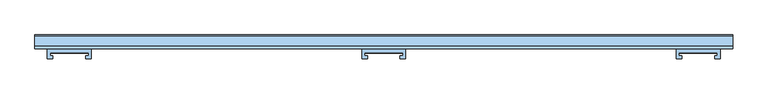
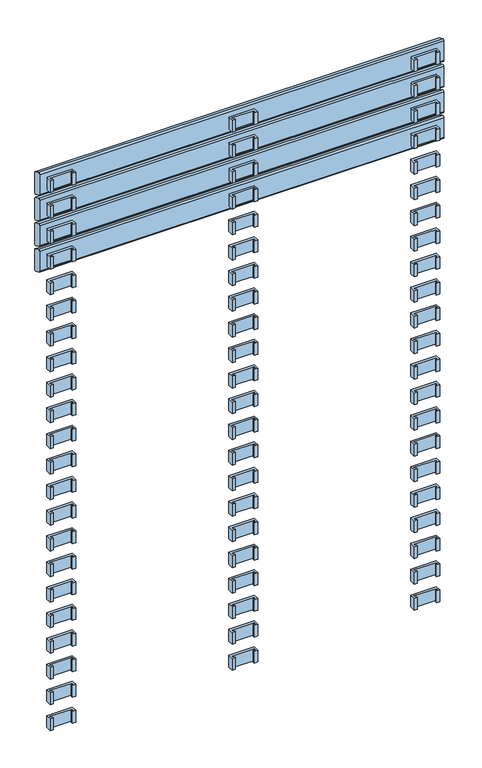
"""IFC4 building model written with IfcOpenShell, lengths in millimetres: window geometry."""

from ifc_helpers import new_model, si_unit, frame, origin, place, context, project, spatial, polyline, circle_curve, outline, extrude, source, transform, mapped, element, save
from ifc_brep_helpers import plane_surface, cylinder_surface, advanced_brep


def window_6ce717ae(model_context):
    return source(origin(), model_context, "Body", "SolidModel", [
        extrude(outline(polyline([(-27.5936804, 24.2), (-27.5936804, 20.0), (-23.5936804, 20.0), (-23.5936804, 16.2), (-31.5, 16.2), (-31.5, 30.1), (31.5, 30.1), (31.5, 16.2), (23.5936804, 16.2), (23.5936804, 20.0), (27.5936804, 20.0), (27.5936804, 24.2), (-27.5936804, 24.2)])), frame((0.0, 0.0, 1526.0), z_axis=(0.0, 0.0, 1.0), x_axis=(1.0, 0.0, 0.0)), (0.0, 0.0, 1.0), 31.0),
        extrude(outline(polyline([(-422.9063196, 24.1), (-478.0936804, 24.1), (-478.0936804, 19.9), (-474.0936804, 19.9), (-474.0936804, 16.1), (-482.0, 16.1), (-482.0, 30.0), (-419.0, 30.0), (-419.0, 16.1), (-426.9063196, 16.1), (-426.9063196, 19.9), (-422.9063196, 19.9), (-422.9063196, 24.1)])), frame((0.0, 0.0, 1526.0), z_axis=(0.0, 0.0, 1.0), x_axis=(1.0, 0.0, 0.0)), (0.0, 0.0, 1.0), 31.0),
        extrude(outline(polyline([(422.9063196, 24.1), (422.9063196, 19.9), (426.9063196, 19.9), (426.9063196, 16.1), (419.0, 16.1), (419.0, 30.0), (482.0, 30.0), (482.0, 16.1), (474.0936804, 16.1), (474.0936804, 19.9), (478.0936804, 19.9), (478.0936804, 24.1), (422.9063196, 24.1)])), frame((0.0, 0.0, 1526.0), z_axis=(0.0, 0.0, 1.0), x_axis=(1.0, 0.0, 0.0)), (0.0, 0.0, 1.0), 31.0),
        extrude(outline(polyline([(-27.5936804, 24.2), (-27.5936804, 20.0), (-23.5936804, 20.0), (-23.5936804, 16.2), (-31.5, 16.2), (-31.5, 30.1), (31.5, 30.1), (31.5, 16.2), (23.5936804, 16.2), (23.5936804, 20.0), (27.5936804, 20.0), (27.5936804, 24.2), (-27.5936804, 24.2)])), frame((0.0, 0.0, 1459.0), z_axis=(0.0, 0.0, 1.0), x_axis=(1.0, 0.0, 0.0)), (0.0, 0.0, 1.0), 31.0),
        extrude(outline(polyline([(-422.9063196, 24.1), (-478.0936804, 24.1), (-478.0936804, 19.9), (-474.0936804, 19.9), (-474.0936804, 16.1), (-482.0, 16.1), (-482.0, 30.0), (-419.0, 30.0), (-419.0, 16.1), (-426.9063196, 16.1), (-426.9063196, 19.9), (-422.9063196, 19.9), (-422.9063196, 24.1)])), frame((0.0, 0.0, 1459.0), z_axis=(0.0, 0.0, 1.0), x_axis=(1.0, 0.0, 0.0)), (0.0, 0.0, 1.0), 31.0),
        extrude(outline(polyline([(422.9063196, 24.1), (422.9063196, 19.9), (426.9063196, 19.9), (426.9063196, 16.1), (419.0, 16.1), (419.0, 30.0), (482.0, 30.0), (482.0, 16.1), (474.0936804, 16.1), (474.0936804, 19.9), (478.0936804, 19.9), (478.0936804, 24.1), (422.9063196, 24.1)])), frame((0.0, 0.0, 1459.0), z_axis=(0.0, 0.0, 1.0), x_axis=(1.0, 0.0, 0.0)), (0.0, 0.0, 1.0), 31.0),
        extrude(outline(polyline([(-27.5936804, 24.2), (-27.5936804, 20.0), (-23.5936804, 20.0), (-23.5936804, 16.2), (-31.5, 16.2), (-31.5, 30.1), (31.5, 30.1), (31.5, 16.2), (23.5936804, 16.2), (23.5936804, 20.0), (27.5936804, 20.0), (27.5936804, 24.2), (-27.5936804, 24.2)])), frame((0.0, 0.0, 1392.0), z_axis=(0.0, 0.0, 1.0), x_axis=(1.0, 0.0, 0.0)), (0.0, 0.0, 1.0), 31.0),
        extrude(outline(polyline([(-422.9063196, 24.1), (-478.0936804, 24.1), (-478.0936804, 19.9), (-474.0936804, 19.9), (-474.0936804, 16.1), (-482.0, 16.1), (-482.0, 30.0), (-419.0, 30.0), (-419.0, 16.1), (-426.9063196, 16.1), (-426.9063196, 19.9), (-422.9063196, 19.9), (-422.9063196, 24.1)])), frame((0.0, 0.0, 1392.0), z_axis=(0.0, 0.0, 1.0), x_axis=(1.0, 0.0, 0.0)), (0.0, 0.0, 1.0), 31.0),
        extrude(outline(polyline([(422.9063196, 24.1), (422.9063196, 19.9), (426.9063196, 19.9), (426.9063196, 16.1), (419.0, 16.1), (419.0, 30.0), (482.0, 30.0), (482.0, 16.1), (474.0936804, 16.1), (474.0936804, 19.9), (478.0936804, 19.9), (478.0936804, 24.1), (422.9063196, 24.1)])), frame((0.0, 0.0, 1392.0), z_axis=(0.0, 0.0, 1.0), x_axis=(1.0, 0.0, 0.0)), (0.0, 0.0, 1.0), 31.0),
        extrude(outline(polyline([(-27.5936804, 24.2), (-27.5936804, 20.0), (-23.5936804, 20.0), (-23.5936804, 16.2), (-31.5, 16.2), (-31.5, 30.1), (31.5, 30.1), (31.5, 16.2), (23.5936804, 16.2), (23.5936804, 20.0), (27.5936804, 20.0), (27.5936804, 24.2), (-27.5936804, 24.2)])), frame((0.0, 0.0, 1325.0), z_axis=(0.0, 0.0, 1.0), x_axis=(1.0, 0.0, 0.0)), (0.0, 0.0, 1.0), 31.0),
        extrude(outline(polyline([(-422.9063196, 24.1), (-478.0936804, 24.1), (-478.0936804, 19.9), (-474.0936804, 19.9), (-474.0936804, 16.1), (-482.0, 16.1), (-482.0, 30.0), (-419.0, 30.0), (-419.0, 16.1), (-426.9063196, 16.1), (-426.9063196, 19.9), (-422.9063196, 19.9), (-422.9063196, 24.1)])), frame((0.0, 0.0, 1325.0), z_axis=(0.0, 0.0, 1.0), x_axis=(1.0, 0.0, 0.0)), (0.0, 0.0, 1.0), 31.0),
        extrude(outline(polyline([(422.9063196, 24.1), (422.9063196, 19.9), (426.9063196, 19.9), (426.9063196, 16.1), (419.0, 16.1), (419.0, 30.0), (482.0, 30.0), (482.0, 16.1), (474.0936804, 16.1), (474.0936804, 19.9), (478.0936804, 19.9), (478.0936804, 24.1), (422.9063196, 24.1)])), frame((0.0, 0.0, 1325.0), z_axis=(0.0, 0.0, 1.0), x_axis=(1.0, 0.0, 0.0)), (0.0, 0.0, 1.0), 31.0),
        extrude(outline(polyline([(-27.5936804, 24.2), (-27.5936804, 20.0), (-23.5936804, 20.0), (-23.5936804, 16.2), (-31.5, 16.2), (-31.5, 30.1), (31.5, 30.1), (31.5, 16.2), (23.5936804, 16.2), (23.5936804, 20.0), (27.5936804, 20.0), (27.5936804, 24.2), (-27.5936804, 24.2)])), frame((0.0, 0.0, 1258.0), z_axis=(0.0, 0.0, 1.0), x_axis=(1.0, 0.0, 0.0)), (0.0, 0.0, 1.0), 31.0),
        extrude(outline(polyline([(-422.9063196, 24.1), (-478.0936804, 24.1), (-478.0936804, 19.9), (-474.0936804, 19.9), (-474.0936804, 16.1), (-482.0, 16.1), (-482.0, 30.0), (-419.0, 30.0), (-419.0, 16.1), (-426.9063196, 16.1), (-426.9063196, 19.9), (-422.9063196, 19.9), (-422.9063196, 24.1)])), frame((0.0, 0.0, 1258.0), z_axis=(0.0, 0.0, 1.0), x_axis=(1.0, 0.0, 0.0)), (0.0, 0.0, 1.0), 31.0),
        extrude(outline(polyline([(422.9063196, 24.1), (422.9063196, 19.9), (426.9063196, 19.9), (426.9063196, 16.1), (419.0, 16.1), (419.0, 30.0), (482.0, 30.0), (482.0, 16.1), (474.0936804, 16.1), (474.0936804, 19.9), (478.0936804, 19.9), (478.0936804, 24.1), (422.9063196, 24.1)])), frame((0.0, 0.0, 1258.0), z_axis=(0.0, 0.0, 1.0), x_axis=(1.0, 0.0, 0.0)), (0.0, 0.0, 1.0), 31.0),
        extrude(outline(polyline([(-27.5936804, 24.2), (-27.5936804, 20.0), (-23.5936804, 20.0), (-23.5936804, 16.2), (-31.5, 16.2), (-31.5, 30.1), (31.5, 30.1), (31.5, 16.2), (23.5936804, 16.2), (23.5936804, 20.0), (27.5936804, 20.0), (27.5936804, 24.2), (-27.5936804, 24.2)])), frame((0.0, 0.0, 1191.0), z_axis=(0.0, 0.0, 1.0), x_axis=(1.0, 0.0, 0.0)), (0.0, 0.0, 1.0), 31.0),
        extrude(outline(polyline([(-422.9063196, 24.1), (-478.0936804, 24.1), (-478.0936804, 19.9), (-474.0936804, 19.9), (-474.0936804, 16.1), (-482.0, 16.1), (-482.0, 30.0), (-419.0, 30.0), (-419.0, 16.1), (-426.9063196, 16.1), (-426.9063196, 19.9), (-422.9063196, 19.9), (-422.9063196, 24.1)])), frame((0.0, 0.0, 1191.0), z_axis=(0.0, 0.0, 1.0), x_axis=(1.0, 0.0, 0.0)), (0.0, 0.0, 1.0), 31.0),
        extrude(outline(polyline([(422.9063196, 24.1), (422.9063196, 19.9), (426.9063196, 19.9), (426.9063196, 16.1), (419.0, 16.1), (419.0, 30.0), (482.0, 30.0), (482.0, 16.1), (474.0936804, 16.1), (474.0936804, 19.9), (478.0936804, 19.9), (478.0936804, 24.1), (422.9063196, 24.1)])), frame((0.0, 0.0, 1191.0), z_axis=(0.0, 0.0, 1.0), x_axis=(1.0, 0.0, 0.0)), (0.0, 0.0, 1.0), 31.0),
        extrude(outline(polyline([(-27.5936804, 24.2), (-27.5936804, 20.0), (-23.5936804, 20.0), (-23.5936804, 16.2), (-31.5, 16.2), (-31.5, 30.1), (31.5, 30.1), (31.5, 16.2), (23.5936804, 16.2), (23.5936804, 20.0), (27.5936804, 20.0), (27.5936804, 24.2), (-27.5936804, 24.2)])), frame((0.0, 0.0, 1124.0), z_axis=(0.0, 0.0, 1.0), x_axis=(1.0, 0.0, 0.0)), (0.0, 0.0, 1.0), 31.0),
        extrude(outline(polyline([(-422.9063196, 24.1), (-478.0936804, 24.1), (-478.0936804, 19.9), (-474.0936804, 19.9), (-474.0936804, 16.1), (-482.0, 16.1), (-482.0, 30.0), (-419.0, 30.0), (-419.0, 16.1), (-426.9063196, 16.1), (-426.9063196, 19.9), (-422.9063196, 19.9), (-422.9063196, 24.1)])), frame((0.0, 0.0, 1124.0), z_axis=(0.0, 0.0, 1.0), x_axis=(1.0, 0.0, 0.0)), (0.0, 0.0, 1.0), 31.0),
        extrude(outline(polyline([(422.9063196, 24.1), (422.9063196, 19.9), (426.9063196, 19.9), (426.9063196, 16.1), (419.0, 16.1), (419.0, 30.0), (482.0, 30.0), (482.0, 16.1), (474.0936804, 16.1), (474.0936804, 19.9), (478.0936804, 19.9), (478.0936804, 24.1), (422.9063196, 24.1)])), frame((0.0, 0.0, 1124.0), z_axis=(0.0, 0.0, 1.0), x_axis=(1.0, 0.0, 0.0)), (0.0, 0.0, 1.0), 31.0),
        extrude(outline(polyline([(-27.5936804, 24.2), (-27.5936804, 20.0), (-23.5936804, 20.0), (-23.5936804, 16.2), (-31.5, 16.2), (-31.5, 30.1), (31.5, 30.1), (31.5, 16.2), (23.5936804, 16.2), (23.5936804, 20.0), (27.5936804, 20.0), (27.5936804, 24.2), (-27.5936804, 24.2)])), frame((0.0, 0.0, 1057.0), z_axis=(0.0, 0.0, 1.0), x_axis=(1.0, 0.0, 0.0)), (0.0, 0.0, 1.0), 31.0),
        extrude(outline(polyline([(-422.9063196, 24.1), (-478.0936804, 24.1), (-478.0936804, 19.9), (-474.0936804, 19.9), (-474.0936804, 16.1), (-482.0, 16.1), (-482.0, 30.0), (-419.0, 30.0), (-419.0, 16.1), (-426.9063196, 16.1), (-426.9063196, 19.9), (-422.9063196, 19.9), (-422.9063196, 24.1)])), frame((0.0, 0.0, 1057.0), z_axis=(0.0, 0.0, 1.0), x_axis=(1.0, 0.0, 0.0)), (0.0, 0.0, 1.0), 31.0),
        extrude(outline(polyline([(422.9063196, 24.1), (422.9063196, 19.9), (426.9063196, 19.9), (426.9063196, 16.1), (419.0, 16.1), (419.0, 30.0), (482.0, 30.0), (482.0, 16.1), (474.0936804, 16.1), (474.0936804, 19.9), (478.0936804, 19.9), (478.0936804, 24.1), (422.9063196, 24.1)])), frame((0.0, 0.0, 1057.0), z_axis=(0.0, 0.0, 1.0), x_axis=(1.0, 0.0, 0.0)), (0.0, 0.0, 1.0), 31.0),
        extrude(outline(polyline([(-27.5936804, 24.2), (-27.5936804, 20.0), (-23.5936804, 20.0), (-23.5936804, 16.2), (-31.5, 16.2), (-31.5, 30.1), (31.5, 30.1), (31.5, 16.2), (23.5936804, 16.2), (23.5936804, 20.0), (27.5936804, 20.0), (27.5936804, 24.2), (-27.5936804, 24.2)])), frame((0.0, 0.0, 990.0), z_axis=(0.0, 0.0, 1.0), x_axis=(1.0, 0.0, 0.0)), (0.0, 0.0, 1.0), 31.0),
        extrude(outline(polyline([(-422.9063196, 24.1), (-478.0936804, 24.1), (-478.0936804, 19.9), (-474.0936804, 19.9), (-474.0936804, 16.1), (-482.0, 16.1), (-482.0, 30.0), (-419.0, 30.0), (-419.0, 16.1), (-426.9063196, 16.1), (-426.9063196, 19.9), (-422.9063196, 19.9), (-422.9063196, 24.1)])), frame((0.0, 0.0, 990.0), z_axis=(0.0, 0.0, 1.0), x_axis=(1.0, 0.0, 0.0)), (0.0, 0.0, 1.0), 31.0),
        extrude(outline(polyline([(422.9063196, 24.1), (422.9063196, 19.9), (426.9063196, 19.9), (426.9063196, 16.1), (419.0, 16.1), (419.0, 30.0), (482.0, 30.0), (482.0, 16.1), (474.0936804, 16.1), (474.0936804, 19.9), (478.0936804, 19.9), (478.0936804, 24.1), (422.9063196, 24.1)])), frame((0.0, 0.0, 990.0), z_axis=(0.0, 0.0, 1.0), x_axis=(1.0, 0.0, 0.0)), (0.0, 0.0, 1.0), 31.0),
        extrude(outline(polyline([(-27.5936804, 24.2), (-27.5936804, 20.0), (-23.5936804, 20.0), (-23.5936804, 16.2), (-31.5, 16.2), (-31.5, 30.1), (31.5, 30.1), (31.5, 16.2), (23.5936804, 16.2), (23.5936804, 20.0), (27.5936804, 20.0), (27.5936804, 24.2), (-27.5936804, 24.2)])), frame((0.0, 0.0, 923.0), z_axis=(0.0, 0.0, 1.0), x_axis=(1.0, 0.0, 0.0)), (0.0, 0.0, 1.0), 31.0),
        extrude(outline(polyline([(-422.9063196, 24.1), (-478.0936804, 24.1), (-478.0936804, 19.9), (-474.0936804, 19.9), (-474.0936804, 16.1), (-482.0, 16.1), (-482.0, 30.0), (-419.0, 30.0), (-419.0, 16.1), (-426.9063196, 16.1), (-426.9063196, 19.9), (-422.9063196, 19.9), (-422.9063196, 24.1)])), frame((0.0, 0.0, 923.0), z_axis=(0.0, 0.0, 1.0), x_axis=(1.0, 0.0, 0.0)), (0.0, 0.0, 1.0), 31.0),
        extrude(outline(polyline([(422.9063196, 24.1), (422.9063196, 19.9), (426.9063196, 19.9), (426.9063196, 16.1), (419.0, 16.1), (419.0, 30.0), (482.0, 30.0), (482.0, 16.1), (474.0936804, 16.1), (474.0936804, 19.9), (478.0936804, 19.9), (478.0936804, 24.1), (422.9063196, 24.1)])), frame((0.0, 0.0, 923.0), z_axis=(0.0, 0.0, 1.0), x_axis=(1.0, 0.0, 0.0)), (0.0, 0.0, 1.0), 31.0),
        extrude(outline(polyline([(-27.5936804, 24.2), (-27.5936804, 20.0), (-23.5936804, 20.0), (-23.5936804, 16.2), (-31.5, 16.2), (-31.5, 30.1), (31.5, 30.1), (31.5, 16.2), (23.5936804, 16.2), (23.5936804, 20.0), (27.5936804, 20.0), (27.5936804, 24.2), (-27.5936804, 24.2)])), frame((0.0, 0.0, 856.0), z_axis=(0.0, 0.0, 1.0), x_axis=(1.0, 0.0, 0.0)), (0.0, 0.0, 1.0), 31.0),
        extrude(outline(polyline([(-422.9063196, 24.1), (-478.0936804, 24.1), (-478.0936804, 19.9), (-474.0936804, 19.9), (-474.0936804, 16.1), (-482.0, 16.1), (-482.0, 30.0), (-419.0, 30.0), (-419.0, 16.1), (-426.9063196, 16.1), (-426.9063196, 19.9), (-422.9063196, 19.9), (-422.9063196, 24.1)])), frame((0.0, 0.0, 856.0), z_axis=(0.0, 0.0, 1.0), x_axis=(1.0, 0.0, 0.0)), (0.0, 0.0, 1.0), 31.0),
        extrude(outline(polyline([(422.9063196, 24.1), (422.9063196, 19.9), (426.9063196, 19.9), (426.9063196, 16.1), (419.0, 16.1), (419.0, 30.0), (482.0, 30.0), (482.0, 16.1), (474.0936804, 16.1), (474.0936804, 19.9), (478.0936804, 19.9), (478.0936804, 24.1), (422.9063196, 24.1)])), frame((0.0, 0.0, 856.0), z_axis=(0.0, 0.0, 1.0), x_axis=(1.0, 0.0, 0.0)), (0.0, 0.0, 1.0), 31.0),
        extrude(outline(polyline([(-27.5936804, 24.2), (-27.5936804, 20.0), (-23.5936804, 20.0), (-23.5936804, 16.2), (-31.5, 16.2), (-31.5, 30.1), (31.5, 30.1), (31.5, 16.2), (23.5936804, 16.2), (23.5936804, 20.0), (27.5936804, 20.0), (27.5936804, 24.2), (-27.5936804, 24.2)])), frame((0.0, 0.0, 789.0), z_axis=(0.0, 0.0, 1.0), x_axis=(1.0, 0.0, 0.0)), (0.0, 0.0, 1.0), 31.0),
        extrude(outline(polyline([(-422.9063196, 24.1), (-478.0936804, 24.1), (-478.0936804, 19.9), (-474.0936804, 19.9), (-474.0936804, 16.1), (-482.0, 16.1), (-482.0, 30.0), (-419.0, 30.0), (-419.0, 16.1), (-426.9063196, 16.1), (-426.9063196, 19.9), (-422.9063196, 19.9), (-422.9063196, 24.1)])), frame((0.0, 0.0, 789.0), z_axis=(0.0, 0.0, 1.0), x_axis=(1.0, 0.0, 0.0)), (0.0, 0.0, 1.0), 31.0),
        extrude(outline(polyline([(422.9063196, 24.1), (422.9063196, 19.9), (426.9063196, 19.9), (426.9063196, 16.1), (419.0, 16.1), (419.0, 30.0), (482.0, 30.0), (482.0, 16.1), (474.0936804, 16.1), (474.0936804, 19.9), (478.0936804, 19.9), (478.0936804, 24.1), (422.9063196, 24.1)])), frame((0.0, 0.0, 789.0), z_axis=(0.0, 0.0, 1.0), x_axis=(1.0, 0.0, 0.0)), (0.0, 0.0, 1.0), 31.0),
        extrude(outline(polyline([(-27.5936804, 24.2), (-27.5936804, 20.0), (-23.5936804, 20.0), (-23.5936804, 16.2), (-31.5, 16.2), (-31.5, 30.1), (31.5, 30.1), (31.5, 16.2), (23.5936804, 16.2), (23.5936804, 20.0), (27.5936804, 20.0), (27.5936804, 24.2), (-27.5936804, 24.2)])), frame((0.0, 0.0, 722.0), z_axis=(0.0, 0.0, 1.0), x_axis=(1.0, 0.0, 0.0)), (0.0, 0.0, 1.0), 31.0),
        extrude(outline(polyline([(-422.9063196, 24.1), (-478.0936804, 24.1), (-478.0936804, 19.9), (-474.0936804, 19.9), (-474.0936804, 16.1), (-482.0, 16.1), (-482.0, 30.0), (-419.0, 30.0), (-419.0, 16.1), (-426.9063196, 16.1), (-426.9063196, 19.9), (-422.9063196, 19.9), (-422.9063196, 24.1)])), frame((0.0, 0.0, 722.0), z_axis=(0.0, 0.0, 1.0), x_axis=(1.0, 0.0, 0.0)), (0.0, 0.0, 1.0), 31.0),
        extrude(outline(polyline([(422.9063196, 24.1), (422.9063196, 19.9), (426.9063196, 19.9), (426.9063196, 16.1), (419.0, 16.1), (419.0, 30.0), (482.0, 30.0), (482.0, 16.1), (474.0936804, 16.1), (474.0936804, 19.9), (478.0936804, 19.9), (478.0936804, 24.1), (422.9063196, 24.1)])), frame((0.0, 0.0, 722.0), z_axis=(0.0, 0.0, 1.0), x_axis=(1.0, 0.0, 0.0)), (0.0, 0.0, 1.0), 31.0),
        extrude(outline(polyline([(-27.5936804, 24.2), (-27.5936804, 20.0), (-23.5936804, 20.0), (-23.5936804, 16.2), (-31.5, 16.2), (-31.5, 30.1), (31.5, 30.1), (31.5, 16.2), (23.5936804, 16.2), (23.5936804, 20.0), (27.5936804, 20.0), (27.5936804, 24.2), (-27.5936804, 24.2)])), frame((0.0, 0.0, 655.0), z_axis=(0.0, 0.0, 1.0), x_axis=(1.0, 0.0, 0.0)), (0.0, 0.0, 1.0), 31.0),
        extrude(outline(polyline([(-422.9063196, 24.1), (-478.0936804, 24.1), (-478.0936804, 19.9), (-474.0936804, 19.9), (-474.0936804, 16.1), (-482.0, 16.1), (-482.0, 30.0), (-419.0, 30.0), (-419.0, 16.1), (-426.9063196, 16.1), (-426.9063196, 19.9), (-422.9063196, 19.9), (-422.9063196, 24.1)])), frame((0.0, 0.0, 655.0), z_axis=(0.0, 0.0, 1.0), x_axis=(1.0, 0.0, 0.0)), (0.0, 0.0, 1.0), 31.0),
        extrude(outline(polyline([(422.9063196, 24.1), (422.9063196, 19.9), (426.9063196, 19.9), (426.9063196, 16.1), (419.0, 16.1), (419.0, 30.0), (482.0, 30.0), (482.0, 16.1), (474.0936804, 16.1), (474.0936804, 19.9), (478.0936804, 19.9), (478.0936804, 24.1), (422.9063196, 24.1)])), frame((0.0, 0.0, 655.0), z_axis=(0.0, 0.0, 1.0), x_axis=(1.0, 0.0, 0.0)), (0.0, 0.0, 1.0), 31.0),
        extrude(outline(polyline([(-27.5936804, 24.2), (-27.5936804, 20.0), (-23.5936804, 20.0), (-23.5936804, 16.2), (-31.5, 16.2), (-31.5, 30.1), (31.5, 30.1), (31.5, 16.2), (23.5936804, 16.2), (23.5936804, 20.0), (27.5936804, 20.0), (27.5936804, 24.2), (-27.5936804, 24.2)])), frame((0.0, 0.0, 588.0), z_axis=(0.0, 0.0, 1.0), x_axis=(1.0, 0.0, 0.0)), (0.0, 0.0, 1.0), 31.0),
        extrude(outline(polyline([(-422.9063196, 24.1), (-478.0936804, 24.1), (-478.0936804, 19.9), (-474.0936804, 19.9), (-474.0936804, 16.1), (-482.0, 16.1), (-482.0, 30.0), (-419.0, 30.0), (-419.0, 16.1), (-426.9063196, 16.1), (-426.9063196, 19.9), (-422.9063196, 19.9), (-422.9063196, 24.1)])), frame((0.0, 0.0, 588.0), z_axis=(0.0, 0.0, 1.0), x_axis=(1.0, 0.0, 0.0)), (0.0, 0.0, 1.0), 31.0),
        extrude(outline(polyline([(422.9063196, 24.1), (422.9063196, 19.9), (426.9063196, 19.9), (426.9063196, 16.1), (419.0, 16.1), (419.0, 30.0), (482.0, 30.0), (482.0, 16.1), (474.0936804, 16.1), (474.0936804, 19.9), (478.0936804, 19.9), (478.0936804, 24.1), (422.9063196, 24.1)])), frame((0.0, 0.0, 588.0), z_axis=(0.0, 0.0, 1.0), x_axis=(1.0, 0.0, 0.0)), (0.0, 0.0, 1.0), 31.0),
        extrude(outline(polyline([(-27.5936804, 24.2), (-27.5936804, 20.0), (-23.5936804, 20.0), (-23.5936804, 16.2), (-31.5, 16.2), (-31.5, 30.1), (31.5, 30.1), (31.5, 16.2), (23.5936804, 16.2), (23.5936804, 20.0), (27.5936804, 20.0), (27.5936804, 24.2), (-27.5936804, 24.2)])), frame((0.0, 0.0, 521.0), z_axis=(0.0, 0.0, 1.0), x_axis=(1.0, 0.0, 0.0)), (0.0, 0.0, 1.0), 31.0),
        extrude(outline(polyline([(-422.9063196, 24.1), (-478.0936804, 24.1), (-478.0936804, 19.9), (-474.0936804, 19.9), (-474.0936804, 16.1), (-482.0, 16.1), (-482.0, 30.0), (-419.0, 30.0), (-419.0, 16.1), (-426.9063196, 16.1), (-426.9063196, 19.9), (-422.9063196, 19.9), (-422.9063196, 24.1)])), frame((0.0, 0.0, 521.0), z_axis=(0.0, 0.0, 1.0), x_axis=(1.0, 0.0, 0.0)), (0.0, 0.0, 1.0), 31.0),
        extrude(outline(polyline([(422.9063196, 24.1), (422.9063196, 19.9), (426.9063196, 19.9), (426.9063196, 16.1), (419.0, 16.1), (419.0, 30.0), (482.0, 30.0), (482.0, 16.1), (474.0936804, 16.1), (474.0936804, 19.9), (478.0936804, 19.9), (478.0936804, 24.1), (422.9063196, 24.1)])), frame((0.0, 0.0, 521.0), z_axis=(0.0, 0.0, 1.0), x_axis=(1.0, 0.0, 0.0)), (0.0, 0.0, 1.0), 31.0),
        extrude(outline(polyline([(-27.5936804, 24.2), (-27.5936804, 20.0), (-23.5936804, 20.0), (-23.5936804, 16.2), (-31.5, 16.2), (-31.5, 30.1), (31.5, 30.1), (31.5, 16.2), (23.5936804, 16.2), (23.5936804, 20.0), (27.5936804, 20.0), (27.5936804, 24.2), (-27.5936804, 24.2)])), frame((0.0, 0.0, 454.0), z_axis=(0.0, 0.0, 1.0), x_axis=(1.0, 0.0, 0.0)), (0.0, 0.0, 1.0), 31.0),
        extrude(outline(polyline([(-422.9063196, 24.1), (-478.0936804, 24.1), (-478.0936804, 19.9), (-474.0936804, 19.9), (-474.0936804, 16.1), (-482.0, 16.1), (-482.0, 30.0), (-419.0, 30.0), (-419.0, 16.1), (-426.9063196, 16.1), (-426.9063196, 19.9), (-422.9063196, 19.9), (-422.9063196, 24.1)])), frame((0.0, 0.0, 454.0), z_axis=(0.0, 0.0, 1.0), x_axis=(1.0, 0.0, 0.0)), (0.0, 0.0, 1.0), 31.0),
        extrude(outline(polyline([(422.9063196, 24.1), (422.9063196, 19.9), (426.9063196, 19.9), (426.9063196, 16.1), (419.0, 16.1), (419.0, 30.0), (482.0, 30.0), (482.0, 16.1), (474.0936804, 16.1), (474.0936804, 19.9), (478.0936804, 19.9), (478.0936804, 24.1), (422.9063196, 24.1)])), frame((0.0, 0.0, 454.0), z_axis=(0.0, 0.0, 1.0), x_axis=(1.0, 0.0, 0.0)), (0.0, 0.0, 1.0), 31.0),
        extrude(outline(polyline([(-27.5936804, 24.2), (-27.5936804, 20.0), (-23.5936804, 20.0), (-23.5936804, 16.2), (-31.5, 16.2), (-31.5, 30.1), (31.5, 30.1), (31.5, 16.2), (23.5936804, 16.2), (23.5936804, 20.0), (27.5936804, 20.0), (27.5936804, 24.2), (-27.5936804, 24.2)])), frame((0.0, 0.0, 387.0), z_axis=(0.0, 0.0, 1.0), x_axis=(1.0, 0.0, 0.0)), (0.0, 0.0, 1.0), 31.0),
        extrude(outline(polyline([(-422.9063196, 24.1), (-478.0936804, 24.1), (-478.0936804, 19.9), (-474.0936804, 19.9), (-474.0936804, 16.1), (-482.0, 16.1), (-482.0, 30.0), (-419.0, 30.0), (-419.0, 16.1), (-426.9063196, 16.1), (-426.9063196, 19.9), (-422.9063196, 19.9), (-422.9063196, 24.1)])), frame((0.0, 0.0, 387.0), z_axis=(0.0, 0.0, 1.0), x_axis=(1.0, 0.0, 0.0)), (0.0, 0.0, 1.0), 31.0),
        extrude(outline(polyline([(422.9063196, 24.1), (422.9063196, 19.9), (426.9063196, 19.9), (426.9063196, 16.1), (419.0, 16.1), (419.0, 30.0), (482.0, 30.0), (482.0, 16.1), (474.0936804, 16.1), (474.0936804, 19.9), (478.0936804, 19.9), (478.0936804, 24.1), (422.9063196, 24.1)])), frame((0.0, 0.0, 387.0), z_axis=(0.0, 0.0, 1.0), x_axis=(1.0, 0.0, 0.0)), (0.0, 0.0, 1.0), 31.0),
        extrude(outline(polyline([(-27.5936804, 24.2), (-27.5936804, 20.0), (-23.5936804, 20.0), (-23.5936804, 16.2), (-31.5, 16.2), (-31.5, 30.1), (31.5, 30.1), (31.5, 16.2), (23.5936804, 16.2), (23.5936804, 20.0), (27.5936804, 20.0), (27.5936804, 24.2), (-27.5936804, 24.2)])), frame((0.0, 0.0, 320.0), z_axis=(0.0, 0.0, 1.0), x_axis=(1.0, 0.0, 0.0)), (0.0, 0.0, 1.0), 31.0),
        extrude(outline(polyline([(-422.9063196, 24.1), (-478.0936804, 24.1), (-478.0936804, 19.9), (-474.0936804, 19.9), (-474.0936804, 16.1), (-482.0, 16.1), (-482.0, 30.0), (-419.0, 30.0), (-419.0, 16.1), (-426.9063196, 16.1), (-426.9063196, 19.9), (-422.9063196, 19.9), (-422.9063196, 24.1)])), frame((0.0, 0.0, 320.0), z_axis=(0.0, 0.0, 1.0), x_axis=(1.0, 0.0, 0.0)), (0.0, 0.0, 1.0), 31.0),
        extrude(outline(polyline([(422.9063196, 24.1), (422.9063196, 19.9), (426.9063196, 19.9), (426.9063196, 16.1), (419.0, 16.1), (419.0, 30.0), (482.0, 30.0), (482.0, 16.1), (474.0936804, 16.1), (474.0936804, 19.9), (478.0936804, 19.9), (478.0936804, 24.1), (422.9063196, 24.1)])), frame((0.0, 0.0, 320.0), z_axis=(0.0, 0.0, 1.0), x_axis=(1.0, 0.0, 0.0)), (0.0, 0.0, 1.0), 31.0),
        extrude(outline(polyline([(-27.5936804, 24.2), (-27.5936804, 20.0), (-23.5936804, 20.0), (-23.5936804, 16.2), (-31.5, 16.2), (-31.5, 30.1), (31.5, 30.1), (31.5, 16.2), (23.5936804, 16.2), (23.5936804, 20.0), (27.5936804, 20.0), (27.5936804, 24.2), (-27.5936804, 24.2)])), frame((0.0, 0.0, 253.0), z_axis=(0.0, 0.0, 1.0), x_axis=(1.0, 0.0, 0.0)), (0.0, 0.0, 1.0), 31.0),
        extrude(outline(polyline([(-422.9063196, 24.1), (-478.0936804, 24.1), (-478.0936804, 19.9), (-474.0936804, 19.9), (-474.0936804, 16.1), (-482.0, 16.1), (-482.0, 30.0), (-419.0, 30.0), (-419.0, 16.1), (-426.9063196, 16.1), (-426.9063196, 19.9), (-422.9063196, 19.9), (-422.9063196, 24.1)])), frame((0.0, 0.0, 253.0), z_axis=(0.0, 0.0, 1.0), x_axis=(1.0, 0.0, 0.0)), (0.0, 0.0, 1.0), 31.0),
        extrude(outline(polyline([(422.9063196, 24.1), (422.9063196, 19.9), (426.9063196, 19.9), (426.9063196, 16.1), (419.0, 16.1), (419.0, 30.0), (482.0, 30.0), (482.0, 16.1), (474.0936804, 16.1), (474.0936804, 19.9), (478.0936804, 19.9), (478.0936804, 24.1), (422.9063196, 24.1)])), frame((0.0, 0.0, 253.0), z_axis=(0.0, 0.0, 1.0), x_axis=(1.0, 0.0, 0.0)), (0.0, 0.0, 1.0), 31.0),
        extrude(outline(polyline([(-27.5936804, 24.2), (-27.5936804, 20.0), (-23.5936804, 20.0), (-23.5936804, 16.2), (-31.5, 16.2), (-31.5, 30.1), (31.5, 30.1), (31.5, 16.2), (23.5936804, 16.2), (23.5936804, 20.0), (27.5936804, 20.0), (27.5936804, 24.2), (-27.5936804, 24.2)])), frame((0.0, 0.0, 186.0), z_axis=(0.0, 0.0, 1.0), x_axis=(1.0, 0.0, 0.0)), (0.0, 0.0, 1.0), 31.0),
        extrude(outline(polyline([(-422.9063196, 24.1), (-478.0936804, 24.1), (-478.0936804, 19.9), (-474.0936804, 19.9), (-474.0936804, 16.1), (-482.0, 16.1), (-482.0, 30.0), (-419.0, 30.0), (-419.0, 16.1), (-426.9063196, 16.1), (-426.9063196, 19.9), (-422.9063196, 19.9), (-422.9063196, 24.1)])), frame((0.0, 0.0, 186.0), z_axis=(0.0, 0.0, 1.0), x_axis=(1.0, 0.0, 0.0)), (0.0, 0.0, 1.0), 31.0),
        extrude(outline(polyline([(422.9063196, 24.1), (422.9063196, 19.9), (426.9063196, 19.9), (426.9063196, 16.1), (419.0, 16.1), (419.0, 30.0), (482.0, 30.0), (482.0, 16.1), (474.0936804, 16.1), (474.0936804, 19.9), (478.0936804, 19.9), (478.0936804, 24.1), (422.9063196, 24.1)])), frame((0.0, 0.0, 186.0), z_axis=(0.0, 0.0, 1.0), x_axis=(1.0, 0.0, 0.0)), (0.0, 0.0, 1.0), 31.0),
        extrude(outline(polyline([(-27.5936804, 24.2), (-27.5936804, 20.0), (-23.5936804, 20.0), (-23.5936804, 16.2), (-31.5, 16.2), (-31.5, 30.1), (31.5, 30.1), (31.5, 16.2), (23.5936804, 16.2), (23.5936804, 20.0), (27.5936804, 20.0), (27.5936804, 24.2), (-27.5936804, 24.2)])), frame((0.0, 0.0, 118.0), z_axis=(0.0, 0.0, 1.0), x_axis=(1.0, 0.0, 0.0)), (0.0, 0.0, 1.0), 31.0),
        extrude(outline(polyline([(-422.9063196, 24.1), (-478.0936804, 24.1), (-478.0936804, 19.9), (-474.0936804, 19.9), (-474.0936804, 16.1), (-482.0, 16.1), (-482.0, 30.0), (-419.0, 30.0), (-419.0, 16.1), (-426.9063196, 16.1), (-426.9063196, 19.9), (-422.9063196, 19.9), (-422.9063196, 24.1)])), frame((0.0, 0.0, 118.0), z_axis=(0.0, 0.0, 1.0), x_axis=(1.0, 0.0, 0.0)), (0.0, 0.0, 1.0), 31.0),
        extrude(outline(polyline([(422.9063196, 24.1), (422.9063196, 19.9), (426.9063196, 19.9), (426.9063196, 16.1), (419.0, 16.1), (419.0, 30.0), (482.0, 30.0), (482.0, 16.1), (474.0936804, 16.1), (474.0936804, 19.9), (478.0936804, 19.9), (478.0936804, 24.1), (422.9063196, 24.1)])), frame((0.0, 0.0, 118.0), z_axis=(0.0, 0.0, 1.0), x_axis=(1.0, 0.0, 0.0)), (0.0, 0.0, 1.0), 31.0),
        advanced_brep(
        [(500.0, 30.0028013, 1518.5270549), (500.0, 31.7349465, 1515.8081315), (500.0, 45.7322609, 1509.2810766), (500.0, 50.0, 1511.9736586), (500.0, 50.0, 1564.574129), (500.0, 48.9038327, 1566.8926244), (500.0, 34.1873858, 1573.7550163), (500.0, 30.0, 1571.0), (-500.0, 30.0, 1518.5270549), (-500.0, 30.0, 1571.0), (-500.0, 34.1873858, 1573.7550163), (-500.0, 48.9038327, 1566.8926244), (-500.0, 50.0, 1564.574129), (-500.0, 50.0, 1511.9736586), (-500.0, 45.7322609, 1509.2810766), (-500.0, 31.7349465, 1515.8081315)],
        [
            (0, 1, circle_curve(frame((500.0, 33.0028013, 1518.5270549), z_axis=(1.0, 0.0, 0.0), x_axis=(0.0, -0.422245314833475, -0.9064816016341312)), 3.0)),
            (1, 2),
            (2, 3, circle_curve(frame((500.0, 47.0001156, 1512.0), z_axis=(1.0, 0.0, 0.0), x_axis=(0.0, 1.0, 0.0)), 3.0)),
            (3, 4),
            (4, 5, circle_curve(frame((500.0, 47.0, 1564.574129), z_axis=(1.0, 0.0, 0.0), x_axis=(0.0, 0.4172998244673827, 0.908768868579625)), 3.0)),
            (5, 6),
            (6, 7, circle_curve(frame((500.0, 33.0, 1571.0), z_axis=(1.0, 0.0, 0.0), x_axis=(0.0, -1.0, 0.0)), 3.0)),
            (7, 0),
            (8, 9),
            (9, 10, circle_curve(frame((-500.0, 33.0, 1571.0), z_axis=(-1.0, 0.0, 0.0), x_axis=(0.0, -1.0, 0.0)), 3.0)),
            (10, 11),
            (11, 12, circle_curve(frame((-500.0, 47.0, 1564.574129), z_axis=(-1.0, 0.0, 0.0), x_axis=(0.0, 0.4172998244673827, 0.908768868579625)), 3.0)),
            (12, 13),
            (13, 14, circle_curve(frame((-500.0, 47.0001156, 1512.0), z_axis=(-1.0, 0.0, 0.0), x_axis=(0.0, 1.0, 0.0)), 3.0)),
            (14, 15),
            (15, 8, circle_curve(frame((-500.0, 33.0028013, 1518.5270549), z_axis=(-1.0, 0.0, 0.0), x_axis=(0.0, -0.422245314833475, -0.9064816016341312)), 3.0)),
            (0, 8),
            (15, 1),
            (14, 2),
            (13, 3),
            (12, 4),
            (11, 5),
            (10, 6),
            (9, 7),
        ],
        [
            plane_surface(frame((500.0, 100.0, 1541.5), z_axis=(1.0, 0.0, 0.0), x_axis=(0.0, 0.0, 1.0))),
            plane_surface(frame((-500.0, 100.0, 1541.5), z_axis=(-1.0, 0.0, 0.0), x_axis=(0.0, 0.0, 1.0))),
            cylinder_surface(frame((500.0, 33.0028013, 1518.5270549), z_axis=(1.0, 0.0, 0.0), x_axis=(0.0, -0.422245314833475, -0.9064816016341312)), 3.0),
            plane_surface(frame((500.0, 31.7349465, 1515.8081315), z_axis=(0.0, -0.4226182617407, -0.9063077870366497), x_axis=(-1.0, 0.0, 0.0))),
            cylinder_surface(frame((500.0, 47.0001156, 1512.0), z_axis=(1.0, 0.0, 0.0), x_axis=(0.0, 1.0, 0.0)), 3.0),
            plane_surface(frame((500.0, 50.0, 1511.9736586), z_axis=(0.0, 1.0, 0.0), x_axis=(-1.0, 0.0, 0.0))),
            cylinder_surface(frame((500.0, 47.0, 1564.574129), z_axis=(1.0000000000000002, 0.0, 0.0), x_axis=(0.0, 0.4172998244673827, 0.908768868579625)), 3.0),
            plane_surface(frame((500.0, 48.9038327, 1566.8926244), z_axis=(0.0, 0.4226182617406934, 0.9063077870366529), x_axis=(-1.0, 0.0, 0.0))),
            cylinder_surface(frame((500.0, 33.0, 1571.0), z_axis=(1.0, 0.0, 0.0), x_axis=(0.0, -1.0, 0.0)), 3.0),
            plane_surface(frame((500.0, 30.0, 1571.0), z_axis=(0.0, -1.0, 0.0), x_axis=(-1.0, 0.0, 0.0))),
        ],
        [
            (0, [[1, 2, 3, 4, 5, 6, 7, 8]]),
            (1, [[9, 10, 11, 12, 13, 14, 15, 16]]),
            (2, [[-1, 17, -16, 18]]),
            (3, [[-2, -18, -15, 19]]),
            (4, [[-3, -19, -14, 20]]),
            (5, [[-4, -20, -13, 21]]),
            (6, [[-5, -21, -12, 22]]),
            (7, [[-6, -22, -11, 23]]),
            (8, [[-7, -23, -10, 24]]),
            (9, [[-8, -24, -9, -17]]),
        ],
    ),
        advanced_brep(
        [(500.0, 30.0028013, 1451.5270549), (500.0, 31.7349465, 1448.8081315), (500.0, 45.7322609, 1442.2810766), (500.0, 50.0, 1444.9736586), (500.0, 50.0, 1497.574129), (500.0, 48.9038327, 1499.8926244), (500.0, 34.1873858, 1506.7550163), (500.0, 30.0, 1504.0), (-500.0, 30.0, 1451.5270549), (-500.0, 30.0, 1504.0), (-500.0, 34.1873858, 1506.7550163), (-500.0, 48.9038327, 1499.8926244), (-500.0, 50.0, 1497.574129), (-500.0, 50.0, 1444.9736586), (-500.0, 45.7322609, 1442.2810766), (-500.0, 31.7349465, 1448.8081315)],
        [
            (0, 1, circle_curve(frame((500.0, 33.0028013, 1451.5270549), z_axis=(1.0, 0.0, 0.0), x_axis=(0.0, -0.422245314833475, -0.9064816016341312)), 3.0)),
            (1, 2),
            (2, 3, circle_curve(frame((500.0, 47.0001156, 1445.0), z_axis=(1.0, 0.0, 0.0), x_axis=(0.0, 1.0, 0.0)), 3.0)),
            (3, 4),
            (4, 5, circle_curve(frame((500.0, 47.0, 1497.574129), z_axis=(1.0, 0.0, 0.0), x_axis=(0.0, 0.4172998244673827, 0.908768868579625)), 3.0)),
            (5, 6),
            (6, 7, circle_curve(frame((500.0, 33.0, 1504.0), z_axis=(1.0, 0.0, 0.0), x_axis=(0.0, -1.0, 0.0)), 3.0)),
            (7, 0),
            (8, 9),
            (9, 10, circle_curve(frame((-500.0, 33.0, 1504.0), z_axis=(-1.0, 0.0, 0.0), x_axis=(0.0, -1.0, 0.0)), 3.0)),
            (10, 11),
            (11, 12, circle_curve(frame((-500.0, 47.0, 1497.574129), z_axis=(-1.0, 0.0, 0.0), x_axis=(0.0, 0.4172998244673827, 0.908768868579625)), 3.0)),
            (12, 13),
            (13, 14, circle_curve(frame((-500.0, 47.0001156, 1445.0), z_axis=(-1.0, 0.0, 0.0), x_axis=(0.0, 1.0, 0.0)), 3.0)),
            (14, 15),
            (15, 8, circle_curve(frame((-500.0, 33.0028013, 1451.5270549), z_axis=(-1.0, 0.0, 0.0), x_axis=(0.0, -0.422245314833475, -0.9064816016341312)), 3.0)),
            (0, 8),
            (15, 1),
            (14, 2),
            (13, 3),
            (12, 4),
            (11, 5),
            (10, 6),
            (9, 7),
        ],
        [
            plane_surface(frame((500.0, 100.0, 1474.5), z_axis=(1.0, 0.0, 0.0), x_axis=(0.0, 0.0, 1.0))),
            plane_surface(frame((-500.0, 100.0, 1474.5), z_axis=(-1.0, 0.0, 0.0), x_axis=(0.0, 0.0, 1.0))),
            cylinder_surface(frame((500.0, 33.0028013, 1451.5270549), z_axis=(1.0, 0.0, 0.0), x_axis=(0.0, -0.422245314833475, -0.9064816016341312)), 3.0),
            plane_surface(frame((500.0, 31.7349465, 1448.8081315), z_axis=(0.0, -0.4226182617407, -0.9063077870366497), x_axis=(-1.0, 0.0, 0.0))),
            cylinder_surface(frame((500.0, 47.0001156, 1445.0), z_axis=(1.0, 0.0, 0.0), x_axis=(0.0, 1.0, 0.0)), 3.0),
            plane_surface(frame((500.0, 50.0, 1444.9736586), z_axis=(0.0, 1.0, 0.0), x_axis=(-1.0, 0.0, 0.0))),
            cylinder_surface(frame((500.0, 47.0, 1497.574129), z_axis=(1.0000000000000002, 0.0, 0.0), x_axis=(0.0, 0.4172998244673827, 0.908768868579625)), 3.0),
            plane_surface(frame((500.0, 48.9038327, 1499.8926244), z_axis=(0.0, 0.4226182617406934, 0.9063077870366529), x_axis=(-1.0, 0.0, 0.0))),
            cylinder_surface(frame((500.0, 33.0, 1504.0), z_axis=(1.0, 0.0, 0.0), x_axis=(0.0, -1.0, 0.0)), 3.0),
            plane_surface(frame((500.0, 30.0, 1504.0), z_axis=(0.0, -1.0, 0.0), x_axis=(-1.0, 0.0, 0.0))),
        ],
        [
            (0, [[1, 2, 3, 4, 5, 6, 7, 8]]),
            (1, [[9, 10, 11, 12, 13, 14, 15, 16]]),
            (2, [[-1, 17, -16, 18]]),
            (3, [[-2, -18, -15, 19]]),
            (4, [[-3, -19, -14, 20]]),
            (5, [[-4, -20, -13, 21]]),
            (6, [[-5, -21, -12, 22]]),
            (7, [[-6, -22, -11, 23]]),
            (8, [[-7, -23, -10, 24]]),
            (9, [[-8, -24, -9, -17]]),
        ],
    ),
        advanced_brep(
        [(500.0, 30.0028013, 1384.5270549), (500.0, 31.7349465, 1381.8081315), (500.0, 45.7322609, 1375.2810766), (500.0, 50.0, 1377.9736586), (500.0, 50.0, 1430.574129), (500.0, 48.9038327, 1432.8926244), (500.0, 34.1873858, 1439.7550163), (500.0, 30.0, 1437.0), (-500.0, 30.0, 1384.5270549), (-500.0, 30.0, 1437.0), (-500.0, 34.1873858, 1439.7550163), (-500.0, 48.9038327, 1432.8926244), (-500.0, 50.0, 1430.574129), (-500.0, 50.0, 1377.9736586), (-500.0, 45.7322609, 1375.2810766), (-500.0, 31.7349465, 1381.8081315)],
        [
            (0, 1, circle_curve(frame((500.0, 33.0028013, 1384.5270549), z_axis=(1.0, 0.0, 0.0), x_axis=(0.0, -0.422245314833475, -0.9064816016341312)), 3.0)),
            (1, 2),
            (2, 3, circle_curve(frame((500.0, 47.0001156, 1378.0), z_axis=(1.0, 0.0, 0.0), x_axis=(0.0, 1.0, 0.0)), 3.0)),
            (3, 4),
            (4, 5, circle_curve(frame((500.0, 47.0, 1430.574129), z_axis=(1.0, 0.0, 0.0), x_axis=(0.0, 0.4172998244673827, 0.908768868579625)), 3.0)),
            (5, 6),
            (6, 7, circle_curve(frame((500.0, 33.0, 1437.0), z_axis=(1.0, 0.0, 0.0), x_axis=(0.0, -1.0, 0.0)), 3.0)),
            (7, 0),
            (8, 9),
            (9, 10, circle_curve(frame((-500.0, 33.0, 1437.0), z_axis=(-1.0, 0.0, 0.0), x_axis=(0.0, -1.0, 0.0)), 3.0)),
            (10, 11),
            (11, 12, circle_curve(frame((-500.0, 47.0, 1430.574129), z_axis=(-1.0, 0.0, 0.0), x_axis=(0.0, 0.4172998244673827, 0.908768868579625)), 3.0)),
            (12, 13),
            (13, 14, circle_curve(frame((-500.0, 47.0001156, 1378.0), z_axis=(-1.0, 0.0, 0.0), x_axis=(0.0, 1.0, 0.0)), 3.0)),
            (14, 15),
            (15, 8, circle_curve(frame((-500.0, 33.0028013, 1384.5270549), z_axis=(-1.0, 0.0, 0.0), x_axis=(0.0, -0.422245314833475, -0.9064816016341312)), 3.0)),
            (0, 8),
            (15, 1),
            (14, 2),
            (13, 3),
            (12, 4),
            (11, 5),
            (10, 6),
            (9, 7),
        ],
        [
            plane_surface(frame((500.0, 100.0, 1407.5), z_axis=(1.0, 0.0, 0.0), x_axis=(0.0, 0.0, 1.0))),
            plane_surface(frame((-500.0, 100.0, 1407.5), z_axis=(-1.0, 0.0, 0.0), x_axis=(0.0, 0.0, 1.0))),
            cylinder_surface(frame((500.0, 33.0028013, 1384.5270549), z_axis=(1.0, 0.0, 0.0), x_axis=(0.0, -0.422245314833475, -0.9064816016341312)), 3.0),
            plane_surface(frame((500.0, 31.7349465, 1381.8081315), z_axis=(0.0, -0.4226182617407, -0.9063077870366497), x_axis=(-1.0, 0.0, 0.0))),
            cylinder_surface(frame((500.0, 47.0001156, 1378.0), z_axis=(1.0, 0.0, 0.0), x_axis=(0.0, 1.0, 0.0)), 3.0),
            plane_surface(frame((500.0, 50.0, 1377.9736586), z_axis=(0.0, 1.0, 0.0), x_axis=(-1.0, 0.0, 0.0))),
            cylinder_surface(frame((500.0, 47.0, 1430.574129), z_axis=(1.0000000000000002, 0.0, 0.0), x_axis=(0.0, 0.4172998244673827, 0.908768868579625)), 3.0),
            plane_surface(frame((500.0, 48.9038327, 1432.8926244), z_axis=(0.0, 0.4226182617406934, 0.9063077870366529), x_axis=(-1.0, 0.0, 0.0))),
            cylinder_surface(frame((500.0, 33.0, 1437.0), z_axis=(1.0, 0.0, 0.0), x_axis=(0.0, -1.0, 0.0)), 3.0),
            plane_surface(frame((500.0, 30.0, 1437.0), z_axis=(0.0, -1.0, 0.0), x_axis=(-1.0, 0.0, 0.0))),
        ],
        [
            (0, [[1, 2, 3, 4, 5, 6, 7, 8]]),
            (1, [[9, 10, 11, 12, 13, 14, 15, 16]]),
            (2, [[-1, 17, -16, 18]]),
            (3, [[-2, -18, -15, 19]]),
            (4, [[-3, -19, -14, 20]]),
            (5, [[-4, -20, -13, 21]]),
            (6, [[-5, -21, -12, 22]]),
            (7, [[-6, -22, -11, 23]]),
            (8, [[-7, -23, -10, 24]]),
            (9, [[-8, -24, -9, -17]]),
        ],
    ),
        advanced_brep(
        [(500.0, 30.0028013, 1317.5270549), (500.0, 31.7349465, 1314.8081315), (500.0, 45.7322609, 1308.2810766), (500.0, 50.0, 1310.9736586), (500.0, 50.0, 1363.574129), (500.0, 48.9038327, 1365.8926244), (500.0, 34.1873858, 1372.7550163), (500.0, 30.0, 1370.0), (-500.0, 30.0, 1317.5270549), (-500.0, 30.0, 1370.0), (-500.0, 34.1873858, 1372.7550163), (-500.0, 48.9038327, 1365.8926244), (-500.0, 50.0, 1363.574129), (-500.0, 50.0, 1310.9736586), (-500.0, 45.7322609, 1308.2810766), (-500.0, 31.7349465, 1314.8081315)],
        [
            (0, 1, circle_curve(frame((500.0, 33.0028013, 1317.5270549), z_axis=(1.0, 0.0, 0.0), x_axis=(0.0, -0.422245314833475, -0.9064816016341312)), 3.0)),
            (1, 2),
            (2, 3, circle_curve(frame((500.0, 47.0001156, 1311.0), z_axis=(1.0, 0.0, 0.0), x_axis=(0.0, 1.0, 0.0)), 3.0)),
            (3, 4),
            (4, 5, circle_curve(frame((500.0, 47.0, 1363.574129), z_axis=(1.0, 0.0, 0.0), x_axis=(0.0, 0.4172998244673827, 0.908768868579625)), 3.0)),
            (5, 6),
            (6, 7, circle_curve(frame((500.0, 33.0, 1370.0), z_axis=(1.0, 0.0, 0.0), x_axis=(0.0, -1.0, 0.0)), 3.0)),
            (7, 0),
            (8, 9),
            (9, 10, circle_curve(frame((-500.0, 33.0, 1370.0), z_axis=(-1.0, 0.0, 0.0), x_axis=(0.0, -1.0, 0.0)), 3.0)),
            (10, 11),
            (11, 12, circle_curve(frame((-500.0, 47.0, 1363.574129), z_axis=(-1.0, 0.0, 0.0), x_axis=(0.0, 0.4172998244673827, 0.908768868579625)), 3.0)),
            (12, 13),
            (13, 14, circle_curve(frame((-500.0, 47.0001156, 1311.0), z_axis=(-1.0, 0.0, 0.0), x_axis=(0.0, 1.0, 0.0)), 3.0)),
            (14, 15),
            (15, 8, circle_curve(frame((-500.0, 33.0028013, 1317.5270549), z_axis=(-1.0, 0.0, 0.0), x_axis=(0.0, -0.422245314833475, -0.9064816016341312)), 3.0)),
            (0, 8),
            (15, 1),
            (14, 2),
            (13, 3),
            (12, 4),
            (11, 5),
            (10, 6),
            (9, 7),
        ],
        [
            plane_surface(frame((500.0, 100.0, 1340.5), z_axis=(1.0, 0.0, 0.0), x_axis=(0.0, 0.0, 1.0))),
            plane_surface(frame((-500.0, 100.0, 1340.5), z_axis=(-1.0, 0.0, 0.0), x_axis=(0.0, 0.0, 1.0))),
            cylinder_surface(frame((500.0, 33.0028013, 1317.5270549), z_axis=(1.0, 0.0, 0.0), x_axis=(0.0, -0.422245314833475, -0.9064816016341312)), 3.0),
            plane_surface(frame((500.0, 31.7349465, 1314.8081315), z_axis=(0.0, -0.4226182617407, -0.9063077870366497), x_axis=(-1.0, 0.0, 0.0))),
            cylinder_surface(frame((500.0, 47.0001156, 1311.0), z_axis=(1.0, 0.0, 0.0), x_axis=(0.0, 1.0, 0.0)), 3.0),
            plane_surface(frame((500.0, 50.0, 1310.9736586), z_axis=(0.0, 1.0, 0.0), x_axis=(-1.0, 0.0, 0.0))),
            cylinder_surface(frame((500.0, 47.0, 1363.574129), z_axis=(1.0000000000000002, 0.0, 0.0), x_axis=(0.0, 0.4172998244673827, 0.908768868579625)), 3.0),
            plane_surface(frame((500.0, 48.9038327, 1365.8926244), z_axis=(0.0, 0.4226182617406934, 0.9063077870366529), x_axis=(-1.0, 0.0, 0.0))),
            cylinder_surface(frame((500.0, 33.0, 1370.0), z_axis=(1.0, 0.0, 0.0), x_axis=(0.0, -1.0, 0.0)), 3.0),
            plane_surface(frame((500.0, 30.0, 1370.0), z_axis=(0.0, -1.0, 0.0), x_axis=(-1.0, 0.0, 0.0))),
        ],
        [
            (0, [[1, 2, 3, 4, 5, 6, 7, 8]]),
            (1, [[9, 10, 11, 12, 13, 14, 15, 16]]),
            (2, [[-1, 17, -16, 18]]),
            (3, [[-2, -18, -15, 19]]),
            (4, [[-3, -19, -14, 20]]),
            (5, [[-4, -20, -13, 21]]),
            (6, [[-5, -21, -12, 22]]),
            (7, [[-6, -22, -11, 23]]),
            (8, [[-7, -23, -10, 24]]),
            (9, [[-8, -24, -9, -17]]),
        ],
    ),
    ])


if __name__ == "__main__":
    model = new_model("IFC4")
    model_context = context("Model", 3, world=origin())
    ifc_project = project(units=[si_unit("LENGTHUNIT", "METRE", prefix="MILLI")], contexts=[model_context])
    site = spatial("IfcSite", under=ifc_project)
    building = spatial("IfcBuilding", under=site)
    placement = place(None, origin())
    window_shape = window_6ce717ae(model_context)
    element("IfcWindow", 1, at=placement, inside=building, context=model_context, shape_type="MappedRepresentation", body=[
        mapped(window_shape, transform((0.0, 0.0, 0.0), x_axis=(1.0, 0.0, 0.0), y_axis=(0.0, 1.0, 0.0), z_axis=(0.0, 0.0, 1.0))),
    ])
    save(model, "model.ifc")
